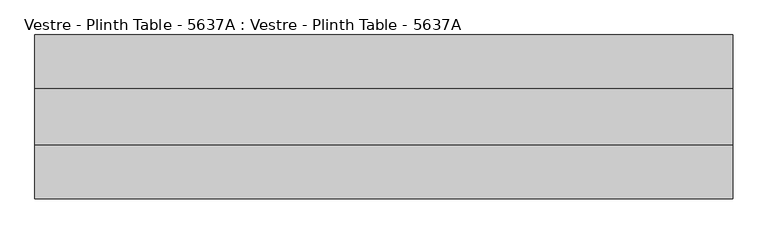
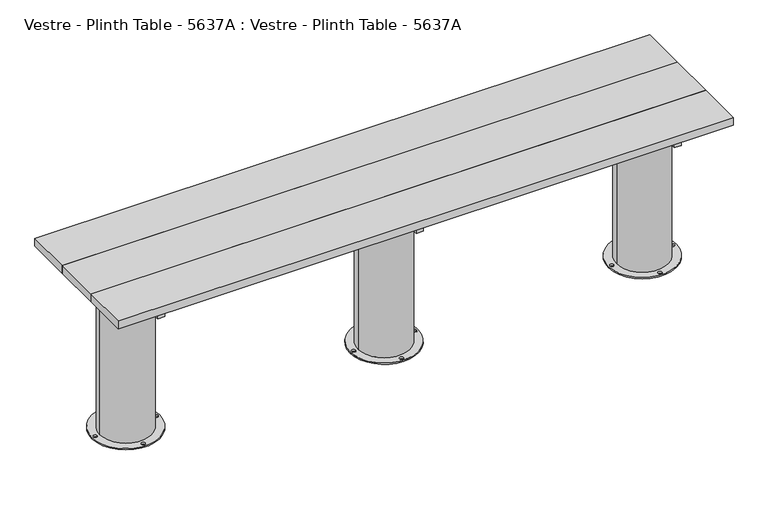
"""IFC4 building model written with IfcOpenShell, lengths in millimetres: furniture geometry, Vestre - Plinth Table - 5637A : Vestre - Plinth Table - 5637A."""

from ifc_helpers import new_model, si_unit, frame, origin, place, context, project, spatial, polyline, circle_curve, outline, extrude, source, transform, mapped, element, save
from ifc_brep_helpers import plane_surface, cylinder_surface, revolved_surface, advanced_brep


def vestre_plinth_table_5637a_vestre_plinth_table_5637a_1bba499d(model_context):
    return source(origin(), model_context, "Body", "SolidModel", [
        extrude(outline(polyline([(1116.0, -483.0002308), (1085.9816865, -483.0002308), (1085.9816865, 43.000233), (1116.0, 43.000233), (1116.0, -483.0002308)])), frame((0.0, 0.0, 654.9999847), z_axis=(0.0, 0.0, 1.0), x_axis=(1.0, 0.0, 0.0)), (0.0, 0.0, 1.0), 50.0),
        extrude(outline(polyline([(-1085.9816865, -483.0002308), (-1116.0, -483.0002308), (-1116.0, 43.000233), (-1085.9816865, 43.000233), (-1085.9816865, -483.0002308)])), frame((0.0, 0.0, 654.9999847), z_axis=(0.0, 0.0, 1.0), x_axis=(1.0, 0.0, 0.0)), (0.0, 0.0, 1.0), 50.0),
        extrude(outline(polyline([(15.0005464, -483.0002308), (-15.0177671, -483.0002308), (-15.0177671, 43.000233), (15.0005464, 43.000233), (15.0005464, -483.0002308)])), frame((0.0, 0.0, 654.9999847), z_axis=(0.0, 0.0, 1.0), x_axis=(1.0, 0.0, 0.0)), (0.0, 0.0, 1.0), 50.0),
        extrude(outline(polyline([(1310.5001055, -114.9999989), (1310.5001055, -324.9999989), (-1310.5001055, -324.9999989), (-1310.5001055, -114.9999989), (1310.5001055, -114.9999989)])), frame((0.0, 0.0, 704.9999847), z_axis=(0.0, 0.0, 1.0), x_axis=(1.0, 0.0, 0.0)), (0.0, 0.0, 1.0), 35.0000153),
        extrude(outline(polyline([(1089.0001055, -202.4998463), (1089.0001055, -237.5001515), (-1089.0001055, -237.5001515), (-1089.0001055, -202.4998463), (1089.0001055, -202.4998463)])), frame((0.0, 0.0, 564.9999847), z_axis=(0.0, 0.0, 1.0), x_axis=(1.0, 0.0, 0.0)), (0.0, 0.0, 1.0), 90.0),
        extrude(outline(polyline([(1310.5001055, 87.500233), (1310.5001055, -114.9999989), (-1310.5001055, -114.9999989), (-1310.5001055, 87.500233), (1310.5001055, 87.500233)])), frame((0.0, 0.0, 704.9999847), z_axis=(0.0, 0.0, 1.0), x_axis=(1.0, 0.0, 0.0)), (0.0, 0.0, 1.0), 35.0000153),
        extrude(outline(polyline([(1310.5001055, -324.9999989), (1310.5001055, -527.5002308), (-1310.5001055, -527.5002308), (-1310.5001055, -324.9999989), (1310.5001055, -324.9999989)])), frame((0.0, 0.0, 704.9999847), z_axis=(0.0, 0.0, 1.0), x_axis=(1.0, 0.0, 0.0)), (0.0, 0.0, 1.0), 35.0000153),
        advanced_brep(
        [(108.1777507, -202.4998463, 654.9999847), (-108.1777507, -202.4998463, 654.9999847), (-108.1777507, -237.5001515, 654.9999847), (108.1777507, -237.5001515, 654.9999847), (144.5284655, -219.9999989, 0.0), (-144.531744, -219.9999989, 0.0), (138.0, -219.9999989, 0.0), (122.0, -219.9999989, 0.0), (8.0, -90.0001458, 0.0), (-8.0, -90.0001458, 0.0), (-138.0032784, -219.9999989, 0.0), (-122.0032784, -219.9999989, 0.0), (8.0, -349.9998521, 0.0), (-8.0, -349.9998521, 0.0), (-109.5841279, -219.9999989, 5.8600001), (109.5841279, -219.9999989, 5.8600001), (109.5841279, -219.9999989, 564.9999847), (108.1777507, -237.5001515, 564.9999847), (-108.1777507, -237.5001515, 564.9999847), (-109.5841279, -219.9999989, 564.9999847), (-108.1777507, -202.4998463, 564.9999847), (108.1777507, -202.4998463, 564.9999847), (144.5284655, -219.9999989, 5.8600001), (-144.531744, -219.9999989, 5.8600001), (138.0, -219.9999989, 5.8600001), (122.0, -219.9999989, 5.8600001), (8.0, -90.0001458, 5.8600001), (-8.0, -90.0001458, 5.8600001), (-138.0032784, -219.9999989, 5.8600001), (-122.0032784, -219.9999989, 5.8600001), (8.0, -349.9998521, 5.8600001), (-8.0, -349.9998521, 5.8600001)],
        [
            (0, 1, circle_curve(frame((0.0, -219.9999989, 654.9999847), z_axis=(0.0, 0.0, 1.0), x_axis=(-1.0, 0.0, 0.0)), 109.5841279)),
            (1, 0),
            (2, 3, circle_curve(frame((0.0, -219.9999989, 654.9999847), z_axis=(0.0, 0.0, 1.0), x_axis=(-1.0, 0.0, 0.0)), 109.5841279)),
            (3, 2),
            (4, 5, circle_curve(frame((-0.0016392, -219.9999989, 0.0), z_axis=(0.0, 0.0, -1.0), x_axis=(-1.0, 0.0, 0.0)), 144.5301047)),
            (5, 4, circle_curve(frame((-0.0016392, -219.9999989, 0.0), z_axis=(0.0, 0.0, -1.0), x_axis=(-1.0, 0.0, 0.0)), 144.5301047)),
            (6, 7, circle_curve(frame((130.0, -219.9999989, 0.0), z_axis=(0.0, 0.0, 1.0), x_axis=(-1.0, 0.0, 0.0)), 8.0)),
            (7, 6, circle_curve(frame((130.0, -219.9999989, 0.0), z_axis=(0.0, 0.0, 1.0), x_axis=(-1.0, 0.0, 0.0)), 8.0)),
            (8, 9, circle_curve(frame((0.0, -90.0001458, 0.0), z_axis=(0.0, 0.0, 1.0), x_axis=(-1.0, 0.0, 0.0)), 8.0)),
            (9, 8, circle_curve(frame((0.0, -90.0001458, 0.0), z_axis=(0.0, 0.0, 1.0), x_axis=(-1.0, 0.0, 0.0)), 8.0)),
            (10, 11, circle_curve(frame((-130.0032784, -219.9999989, 0.0), z_axis=(0.0, 0.0, 1.0), x_axis=(1.0, 0.0, 0.0)), 8.0)),
            (11, 10, circle_curve(frame((-130.0032784, -219.9999989, 0.0), z_axis=(0.0, 0.0, 1.0), x_axis=(1.0, 0.0, 0.0)), 8.0)),
            (12, 13, circle_curve(frame((0.0, -349.9998521, 0.0), z_axis=(0.0, 0.0, 1.0), x_axis=(-1.0, 0.0, 0.0)), 8.0)),
            (13, 12, circle_curve(frame((0.0, -349.9998521, 0.0), z_axis=(0.0, 0.0, 1.0), x_axis=(-1.0, 0.0, 0.0)), 8.0)),
            (14, 15, circle_curve(frame((0.0, -219.9999989, 5.8600001), z_axis=(0.0, 0.0, 1.0), x_axis=(-1.0, 0.0, 0.0)), 109.5841279)),
            (15, 16),
            (16, 17, circle_curve(frame((0.0, -219.9999989, 564.9999847), z_axis=(0.0, 0.0, -1.0), x_axis=(-1.0, 0.0, 0.0)), 109.5841279)),
            (17, 3),
            (2, 18),
            (18, 19, circle_curve(frame((0.0, -219.9999989, 564.9999847), z_axis=(0.0, 0.0, -1.0), x_axis=(-1.0, 0.0, 0.0)), 109.5841279)),
            (19, 14),
            (15, 14, circle_curve(frame((0.0, -219.9999989, 5.8600001), z_axis=(0.0, 0.0, 1.0), x_axis=(-1.0, 0.0, 0.0)), 109.5841279)),
            (19, 20, circle_curve(frame((0.0, -219.9999989, 564.9999847), z_axis=(0.0, 0.0, -1.0), x_axis=(-1.0, 0.0, 0.0)), 109.5841279)),
            (20, 1),
            (0, 21),
            (21, 16, circle_curve(frame((0.0, -219.9999989, 564.9999847), z_axis=(0.0, 0.0, -1.0), x_axis=(-1.0, 0.0, 0.0)), 109.5841279)),
            (22, 23, circle_curve(frame((-0.0016392, -219.9999989, 5.8600001), z_axis=(0.0, 0.0, 1.0), x_axis=(-1.0, 0.0, 0.0)), 144.5301047)),
            (23, 22, circle_curve(frame((-0.0016392, -219.9999989, 5.8600001), z_axis=(0.0, 0.0, 1.0), x_axis=(-1.0, 0.0, 0.0)), 144.5301047)),
            (24, 25, circle_curve(frame((130.0, -219.9999989, 5.8600001), z_axis=(0.0, 0.0, -1.0), x_axis=(-1.0, 0.0, 0.0)), 8.0)),
            (25, 24, circle_curve(frame((130.0, -219.9999989, 5.8600001), z_axis=(0.0, 0.0, -1.0), x_axis=(-1.0, 0.0, 0.0)), 8.0)),
            (26, 27, circle_curve(frame((0.0, -90.0001458, 5.8600001), z_axis=(0.0, 0.0, -1.0), x_axis=(-1.0, 0.0, 0.0)), 8.0)),
            (27, 26, circle_curve(frame((0.0, -90.0001458, 5.8600001), z_axis=(0.0, 0.0, -1.0), x_axis=(-1.0, 0.0, 0.0)), 8.0)),
            (28, 29, circle_curve(frame((-130.0032784, -219.9999989, 5.8600001), z_axis=(0.0, 0.0, -1.0), x_axis=(1.0, 0.0, 0.0)), 8.0)),
            (29, 28, circle_curve(frame((-130.0032784, -219.9999989, 5.8600001), z_axis=(0.0, 0.0, -1.0), x_axis=(1.0, 0.0, 0.0)), 8.0)),
            (30, 31, circle_curve(frame((0.0, -349.9998521, 5.8600001), z_axis=(0.0, 0.0, -1.0), x_axis=(-1.0, 0.0, 0.0)), 8.0)),
            (31, 30, circle_curve(frame((0.0, -349.9998521, 5.8600001), z_axis=(0.0, 0.0, -1.0), x_axis=(-1.0, 0.0, 0.0)), 8.0)),
            (22, 4),
            (5, 23),
            (24, 6),
            (7, 25),
            (26, 8),
            (9, 27),
            (28, 10),
            (11, 29),
            (30, 12),
            (13, 31),
            (21, 20),
            (18, 17),
        ],
        [
            plane_surface(frame((-109.5841279, -219.9999989, 654.9999847), z_axis=(0.0, 0.0, 1.0), x_axis=(0.0, -1.0, 0.0))),
            plane_surface(frame((-109.5841279, -219.9999989, 0.0), z_axis=(0.0, 0.0, -1.0), x_axis=(0.0, 1.0, 0.0))),
            cylinder_surface(frame((0.0, -219.9999989, 0.0), z_axis=(0.0, 0.0, 1.0), x_axis=(-1.0, 0.0, 0.0)), 109.5841279),
            plane_surface(frame((-144.531744, -219.9999989, 5.8600001), z_axis=(0.0, 0.0, 1.0), x_axis=(0.0, -1.0, 0.0))),
            cylinder_surface(frame((-0.0016392, -219.9999989, 0.0), z_axis=(0.0, 0.0, 1.0), x_axis=(-1.0, 0.0, 0.0)), 144.5301047),
            revolved_surface(polyline([(122.0, -219.9999989, 0.0), (122.0, -219.9999989, 5.8600001)]), (130.0, -219.9999989, 0.0), (0.0, 0.0, -1.0)),
            revolved_surface(polyline([(-8.0, -90.0001458, 0.0), (-8.0, -90.0001458, 5.8600001)]), (0.0, -90.0001458, 0.0), (0.0, 0.0, -1.0)),
            revolved_surface(polyline([(-122.0032784, -219.9999989, 0.0), (-122.0032784, -219.9999989, 5.8600001)]), (-130.0032784, -219.9999989, 0.0), (0.0, 0.0, -1.0)),
            revolved_surface(polyline([(-8.0, -349.9998521, 0.0), (-8.0, -349.9998521, 5.8600001)]), (0.0, -349.9998521, 0.0), (0.0, 0.0, -1.0)),
            plane_surface(frame((-130.5005464, -202.4998463, 564.9999847), z_axis=(0.0, 0.0, 1.0), x_axis=(1.0, 0.0, 0.0))),
            plane_surface(frame((-130.5005464, -202.4998463, 654.9999847), z_axis=(0.0, -1.0, 0.0), x_axis=(1.0, 0.0, 0.0))),
            plane_surface(frame((-130.5005464, -237.5001515, 564.9999847), z_axis=(0.0, 1.0, 0.0), x_axis=(1.0, 0.0, 0.0))),
        ],
        [
            (0, [[1, 2]]),
            (0, [[3, 4]]),
            (1, [[5, 6], [7, 8], [9, 10], [11, 12], [13, 14]]),
            (2, [[15, 16, 17, 18, -3, 19, 20, 21]]),
            (2, [[22, -21, 23, 24, -1, 25, 26, -16]]),
            (3, [[27, 28], [-15, -22], [29, 30], [31, 32], [33, 34], [35, 36]]),
            (4, [[-27, 37, -6, 38]]),
            (4, [[-28, -38, -5, -37]]),
            (5, [[-29, 39, -8, 40]]),
            (5, [[-30, -40, -7, -39]]),
            (6, [[-31, 41, -10, 42]]),
            (6, [[-32, -42, -9, -41]]),
            (7, [[-33, 43, -12, 44]]),
            (7, [[-34, -44, -11, -43]]),
            (8, [[-35, 45, -14, 46]]),
            (8, [[-36, -46, -13, -45]]),
            (9, [[47, -23, -20, 48, -17, -26]]),
            (10, [[-47, -25, -2, -24]]),
            (11, [[-48, -19, -4, -18]]),
        ],
    ),
        advanced_brep(
        [(1210.5835815, -219.9999989, 654.9999847), (992.8217029, -202.4998463, 654.9999847), (1089.0010928, -202.4998463, 654.9999847), (1089.0010928, -237.5001515, 654.9999847), (992.8217029, -237.5001515, 654.9999847), (1245.5295583, -219.9999989, 0.0), (956.4693488, -219.9999989, 0.0), (1239.0010928, -219.9999989, 0.0), (1223.0010928, -219.9999989, 0.0), (1109.0010928, -90.0001458, 0.0), (1093.0010928, -90.0001458, 0.0), (962.9978144, -219.9999989, 0.0), (978.9978144, -219.9999989, 0.0), (1109.0010928, -349.9998521, 0.0), (1093.0010928, -349.9998521, 0.0), (1210.5835815, -219.9999989, 5.8600001), (992.8217029, -237.5001515, 564.9999847), (991.4153257, -219.9999989, 564.9999847), (991.4153257, -219.9999989, 5.8600001), (992.8217029, -202.4998463, 564.9999847), (1245.5295583, -219.9999989, 5.8600001), (956.4693488, -219.9999989, 5.8600001), (1239.0010928, -219.9999989, 5.8600001), (1223.0010928, -219.9999989, 5.8600001), (1109.0010928, -90.0001458, 5.8600001), (1093.0010928, -90.0001458, 5.8600001), (962.9978144, -219.9999989, 5.8600001), (978.9978144, -219.9999989, 5.8600001), (1109.0010928, -349.9998521, 5.8600001), (1093.0010928, -349.9998521, 5.8600001), (1089.0010928, -237.5001515, 564.9999847), (1089.0010928, -202.4998463, 564.9999847)],
        [
            (0, 1, circle_curve(frame((1100.9994536, -219.9999989, 654.9999847), z_axis=(0.0, 0.0, 1.0), x_axis=(-1.0, 0.0, 0.0)), 109.5841279)),
            (1, 2),
            (2, 3),
            (3, 4),
            (4, 0, circle_curve(frame((1100.9994536, -219.9999989, 654.9999847), z_axis=(0.0, 0.0, 1.0), x_axis=(-1.0, 0.0, 0.0)), 109.5841279)),
            (5, 6, circle_curve(frame((1100.9994536, -219.9999989, 0.0), z_axis=(0.0, 0.0, -1.0), x_axis=(-1.0, 0.0, 0.0)), 144.5301047)),
            (6, 5, circle_curve(frame((1100.9994536, -219.9999989, 0.0), z_axis=(0.0, 0.0, -1.0), x_axis=(-1.0, 0.0, 0.0)), 144.5301047)),
            (7, 8, circle_curve(frame((1231.0010928, -219.9999989, 0.0), z_axis=(0.0, 0.0, 1.0), x_axis=(-1.0, 0.0, 0.0)), 8.0)),
            (8, 7, circle_curve(frame((1231.0010928, -219.9999989, 0.0), z_axis=(0.0, 0.0, 1.0), x_axis=(-1.0, 0.0, 0.0)), 8.0)),
            (9, 10, circle_curve(frame((1101.0010928, -90.0001458, 0.0), z_axis=(0.0, 0.0, 1.0), x_axis=(-1.0, 0.0, 0.0)), 8.0)),
            (10, 9, circle_curve(frame((1101.0010928, -90.0001458, 0.0), z_axis=(0.0, 0.0, 1.0), x_axis=(-1.0, 0.0, 0.0)), 8.0)),
            (11, 12, circle_curve(frame((970.9978144, -219.9999989, 0.0), z_axis=(0.0, 0.0, 1.0), x_axis=(1.0, 0.0, 0.0)), 8.0)),
            (12, 11, circle_curve(frame((970.9978144, -219.9999989, 0.0), z_axis=(0.0, 0.0, 1.0), x_axis=(1.0, 0.0, 0.0)), 8.0)),
            (13, 14, circle_curve(frame((1101.0010928, -349.9998521, 0.0), z_axis=(0.0, 0.0, 1.0), x_axis=(-1.0, 0.0, 0.0)), 8.0)),
            (14, 13, circle_curve(frame((1101.0010928, -349.9998521, 0.0), z_axis=(0.0, 0.0, 1.0), x_axis=(-1.0, 0.0, 0.0)), 8.0)),
            (15, 0),
            (4, 16),
            (16, 17, circle_curve(frame((1100.9994536, -219.9999989, 564.9999847), z_axis=(0.0, 0.0, -1.0), x_axis=(-1.0, 0.0, 0.0)), 109.5841279)),
            (17, 18),
            (18, 15, circle_curve(frame((1100.9994536, -219.9999989, 5.8600001), z_axis=(0.0, 0.0, 1.0), x_axis=(-1.0, 0.0, 0.0)), 109.5841279)),
            (15, 18, circle_curve(frame((1100.9994536, -219.9999989, 5.8600001), z_axis=(0.0, 0.0, 1.0), x_axis=(-1.0, 0.0, 0.0)), 109.5841279)),
            (17, 19, circle_curve(frame((1100.9994536, -219.9999989, 564.9999847), z_axis=(0.0, 0.0, -1.0), x_axis=(-1.0, 0.0, 0.0)), 109.5841279)),
            (19, 1),
            (20, 21, circle_curve(frame((1100.9994536, -219.9999989, 5.8600001), z_axis=(0.0, 0.0, 1.0), x_axis=(-1.0, 0.0, 0.0)), 144.5301047)),
            (21, 20, circle_curve(frame((1100.9994536, -219.9999989, 5.8600001), z_axis=(0.0, 0.0, 1.0), x_axis=(-1.0, 0.0, 0.0)), 144.5301047)),
            (22, 23, circle_curve(frame((1231.0010928, -219.9999989, 5.8600001), z_axis=(0.0, 0.0, -1.0), x_axis=(-1.0, 0.0, 0.0)), 8.0)),
            (23, 22, circle_curve(frame((1231.0010928, -219.9999989, 5.8600001), z_axis=(0.0, 0.0, -1.0), x_axis=(-1.0, 0.0, 0.0)), 8.0)),
            (24, 25, circle_curve(frame((1101.0010928, -90.0001458, 5.8600001), z_axis=(0.0, 0.0, -1.0), x_axis=(-1.0, 0.0, 0.0)), 8.0)),
            (25, 24, circle_curve(frame((1101.0010928, -90.0001458, 5.8600001), z_axis=(0.0, 0.0, -1.0), x_axis=(-1.0, 0.0, 0.0)), 8.0)),
            (26, 27, circle_curve(frame((970.9978144, -219.9999989, 5.8600001), z_axis=(0.0, 0.0, -1.0), x_axis=(1.0, 0.0, 0.0)), 8.0)),
            (27, 26, circle_curve(frame((970.9978144, -219.9999989, 5.8600001), z_axis=(0.0, 0.0, -1.0), x_axis=(1.0, 0.0, 0.0)), 8.0)),
            (28, 29, circle_curve(frame((1101.0010928, -349.9998521, 5.8600001), z_axis=(0.0, 0.0, -1.0), x_axis=(-1.0, 0.0, 0.0)), 8.0)),
            (29, 28, circle_curve(frame((1101.0010928, -349.9998521, 5.8600001), z_axis=(0.0, 0.0, -1.0), x_axis=(-1.0, 0.0, 0.0)), 8.0)),
            (21, 6),
            (5, 20),
            (23, 8),
            (7, 22),
            (25, 10),
            (9, 24),
            (27, 12),
            (11, 26),
            (29, 14),
            (13, 28),
            (30, 3),
            (2, 31),
            (31, 30),
            (31, 19),
            (16, 30),
        ],
        [
            plane_surface(frame((991.4153257, -219.9999989, 654.9999847), z_axis=(0.0, 0.0, 1.0), x_axis=(0.0, -1.0, 0.0))),
            plane_surface(frame((991.4153257, -219.9999989, 0.0), z_axis=(0.0, 0.0, -1.0), x_axis=(0.0, 1.0, 0.0))),
            cylinder_surface(frame((1100.9994536, -219.9999989, 0.0), z_axis=(0.0, 0.0, 1.0), x_axis=(-1.0, 0.0, 0.0)), 109.5841279),
            plane_surface(frame((956.4693488, -219.9999989, 5.8600001), z_axis=(0.0, 0.0, 1.0), x_axis=(0.0, -1.0, 0.0))),
            cylinder_surface(frame((1100.9994536, -219.9999989, 0.0), z_axis=(0.0, 0.0, 1.0), x_axis=(-1.0, 0.0, 0.0)), 144.5301047),
            revolved_surface(polyline([(1223.0010928, -219.9999989, 0.0), (1223.0010928, -219.9999989, 5.8600001)]), (1231.0010928, -219.9999989, 0.0), (0.0, 0.0, -1.0)),
            revolved_surface(polyline([(1093.0010928, -90.0001458, 0.0), (1093.0010928, -90.0001458, 5.8600001)]), (1101.0010928, -90.0001458, 0.0), (0.0, 0.0, -1.0)),
            revolved_surface(polyline([(978.9978144, -219.9999989, 0.0), (978.9978144, -219.9999989, 5.8600001)]), (970.9978144, -219.9999989, 0.0), (0.0, 0.0, -1.0)),
            revolved_surface(polyline([(1093.0010928, -349.9998521, 0.0), (1093.0010928, -349.9998521, 5.8600001)]), (1101.0010928, -349.9998521, 0.0), (0.0, 0.0, -1.0)),
            plane_surface(frame((1089.0010928, -237.5001515, 564.9999847), z_axis=(-1.0, 0.0, 0.0), x_axis=(0.0, 0.0, -1.0))),
            plane_surface(frame((970.5005464, -202.4998463, 564.9999847), z_axis=(0.0, 0.0, 1.0), x_axis=(1.0, 0.0, 0.0))),
            plane_surface(frame((970.5005464, -202.4998463, 654.9999847), z_axis=(0.0, -1.0, 0.0), x_axis=(1.0, 0.0, 0.0))),
            plane_surface(frame((970.5005464, -237.5001515, 564.9999847), z_axis=(0.0, 1.0, 0.0), x_axis=(1.0, 0.0, 0.0))),
        ],
        [
            (0, [[1, 2, 3, 4, 5]]),
            (1, [[6, 7], [8, 9], [10, 11], [12, 13], [14, 15]]),
            (2, [[16, -5, 17, 18, 19, 20]]),
            (2, [[-16, 21, -19, 22, 23, -1]]),
            (3, [[24, 25], [-20, -21], [26, 27], [28, 29], [30, 31], [32, 33]]),
            (4, [[-25, 34, -6, 35]]),
            (4, [[-24, -35, -7, -34]]),
            (5, [[-27, 36, -8, 37]]),
            (5, [[-26, -37, -9, -36]]),
            (6, [[-29, 38, -10, 39]]),
            (6, [[-28, -39, -11, -38]]),
            (7, [[-31, 40, -12, 41]]),
            (7, [[-30, -41, -13, -40]]),
            (8, [[-33, 42, -14, 43]]),
            (8, [[-32, -43, -15, -42]]),
            (9, [[44, -3, 45, 46]]),
            (10, [[-46, 47, -22, -18, 48]]),
            (11, [[-45, -2, -23, -47]]),
            (12, [[-44, -48, -17, -4]]),
        ],
    ),
        advanced_brep(
        [(-1210.5835815, -219.9999989, 654.9999847), (-992.8217029, -237.5001515, 654.9999847), (-1089.0010928, -237.5001515, 654.9999847), (-1089.0010928, -202.4998463, 654.9999847), (-992.8217029, -202.4998463, 654.9999847), (-1245.5295583, -219.9999989, 0.0), (-956.4693488, -219.9999989, 0.0), (-1239.0010928, -219.9999989, 0.0), (-1223.0010928, -219.9999989, 0.0), (-1109.0010928, -90.0001458, 0.0), (-1093.0010928, -90.0001458, 0.0), (-962.9978144, -219.9999989, 0.0), (-978.9978144, -219.9999989, 0.0), (-1109.0010928, -349.9998521, 0.0), (-1093.0010928, -349.9998521, 0.0), (-1210.5835815, -219.9999989, 5.8600001), (-991.4153257, -219.9999989, 5.8600001), (-991.4153257, -219.9999989, 564.9999847), (-992.8217029, -237.5001515, 564.9999847), (-992.8217029, -202.4998463, 564.9999847), (-1245.5295583, -219.9999989, 5.8600001), (-956.4693488, -219.9999989, 5.8600001), (-1239.0010928, -219.9999989, 5.8600001), (-1223.0010928, -219.9999989, 5.8600001), (-1109.0010928, -90.0001458, 5.8600001), (-1093.0010928, -90.0001458, 5.8600001), (-962.9978144, -219.9999989, 5.8600001), (-978.9978144, -219.9999989, 5.8600001), (-1109.0010928, -349.9998521, 5.8600001), (-1093.0010928, -349.9998521, 5.8600001), (-1089.0010928, -237.5001515, 564.9999847), (-1089.0010928, -202.4998463, 564.9999847)],
        [
            (0, 1, circle_curve(frame((-1100.9994536, -219.9999989, 654.9999847), z_axis=(0.0, 0.0, 1.0), x_axis=(1.0, 0.0, 0.0)), 109.5841279)),
            (1, 2),
            (2, 3),
            (3, 4),
            (4, 0, circle_curve(frame((-1100.9994536, -219.9999989, 654.9999847), z_axis=(0.0, 0.0, 1.0), x_axis=(1.0, 0.0, 0.0)), 109.5841279)),
            (5, 6, circle_curve(frame((-1100.9994536, -219.9999989, 0.0), z_axis=(0.0, 0.0, -1.0), x_axis=(1.0, 0.0, 0.0)), 144.5301047)),
            (6, 5, circle_curve(frame((-1100.9994536, -219.9999989, 0.0), z_axis=(0.0, 0.0, -1.0), x_axis=(1.0, 0.0, 0.0)), 144.5301047)),
            (7, 8, circle_curve(frame((-1231.0010928, -219.9999989, 0.0), z_axis=(0.0, 0.0, 1.0), x_axis=(1.0, 0.0, 0.0)), 8.0)),
            (8, 7, circle_curve(frame((-1231.0010928, -219.9999989, 0.0), z_axis=(0.0, 0.0, 1.0), x_axis=(1.0, 0.0, 0.0)), 8.0)),
            (9, 10, circle_curve(frame((-1101.0010928, -90.0001458, 0.0), z_axis=(0.0, 0.0, 1.0), x_axis=(1.0, 0.0, 0.0)), 8.0)),
            (10, 9, circle_curve(frame((-1101.0010928, -90.0001458, 0.0), z_axis=(0.0, 0.0, 1.0), x_axis=(1.0, 0.0, 0.0)), 8.0)),
            (11, 12, circle_curve(frame((-970.9978144, -219.9999989, 0.0), z_axis=(0.0, 0.0, 1.0), x_axis=(-1.0, 0.0, 0.0)), 8.0)),
            (12, 11, circle_curve(frame((-970.9978144, -219.9999989, 0.0), z_axis=(0.0, 0.0, 1.0), x_axis=(-1.0, 0.0, 0.0)), 8.0)),
            (13, 14, circle_curve(frame((-1101.0010928, -349.9998521, 0.0), z_axis=(0.0, 0.0, 1.0), x_axis=(1.0, 0.0, 0.0)), 8.0)),
            (14, 13, circle_curve(frame((-1101.0010928, -349.9998521, 0.0), z_axis=(0.0, 0.0, 1.0), x_axis=(1.0, 0.0, 0.0)), 8.0)),
            (0, 15),
            (15, 16, circle_curve(frame((-1100.9994536, -219.9999989, 5.8600001), z_axis=(0.0, 0.0, 1.0), x_axis=(1.0, 0.0, 0.0)), 109.5841279)),
            (16, 17),
            (17, 18, circle_curve(frame((-1100.9994536, -219.9999989, 564.9999847), z_axis=(0.0, 0.0, -1.0), x_axis=(1.0, 0.0, 0.0)), 109.5841279)),
            (18, 1),
            (4, 19),
            (19, 17, circle_curve(frame((-1100.9994536, -219.9999989, 564.9999847), z_axis=(0.0, 0.0, -1.0), x_axis=(1.0, 0.0, 0.0)), 109.5841279)),
            (16, 15, circle_curve(frame((-1100.9994536, -219.9999989, 5.8600001), z_axis=(0.0, 0.0, 1.0), x_axis=(1.0, 0.0, 0.0)), 109.5841279)),
            (20, 21, circle_curve(frame((-1100.9994536, -219.9999989, 5.8600001), z_axis=(0.0, 0.0, 1.0), x_axis=(1.0, 0.0, 0.0)), 144.5301047)),
            (21, 20, circle_curve(frame((-1100.9994536, -219.9999989, 5.8600001), z_axis=(0.0, 0.0, 1.0), x_axis=(1.0, 0.0, 0.0)), 144.5301047)),
            (22, 23, circle_curve(frame((-1231.0010928, -219.9999989, 5.8600001), z_axis=(0.0, 0.0, -1.0), x_axis=(1.0, 0.0, 0.0)), 8.0)),
            (23, 22, circle_curve(frame((-1231.0010928, -219.9999989, 5.8600001), z_axis=(0.0, 0.0, -1.0), x_axis=(1.0, 0.0, 0.0)), 8.0)),
            (24, 25, circle_curve(frame((-1101.0010928, -90.0001458, 5.8600001), z_axis=(0.0, 0.0, -1.0), x_axis=(1.0, 0.0, 0.0)), 8.0)),
            (25, 24, circle_curve(frame((-1101.0010928, -90.0001458, 5.8600001), z_axis=(0.0, 0.0, -1.0), x_axis=(1.0, 0.0, 0.0)), 8.0)),
            (26, 27, circle_curve(frame((-970.9978144, -219.9999989, 5.8600001), z_axis=(0.0, 0.0, -1.0), x_axis=(-1.0, 0.0, 0.0)), 8.0)),
            (27, 26, circle_curve(frame((-970.9978144, -219.9999989, 5.8600001), z_axis=(0.0, 0.0, -1.0), x_axis=(-1.0, 0.0, 0.0)), 8.0)),
            (28, 29, circle_curve(frame((-1101.0010928, -349.9998521, 5.8600001), z_axis=(0.0, 0.0, -1.0), x_axis=(1.0, 0.0, 0.0)), 8.0)),
            (29, 28, circle_curve(frame((-1101.0010928, -349.9998521, 5.8600001), z_axis=(0.0, 0.0, -1.0), x_axis=(1.0, 0.0, 0.0)), 8.0)),
            (20, 5),
            (6, 21),
            (22, 7),
            (8, 23),
            (24, 9),
            (10, 25),
            (26, 11),
            (12, 27),
            (28, 13),
            (14, 29),
            (30, 31),
            (31, 3),
            (2, 30),
            (30, 18),
            (19, 31),
        ],
        [
            plane_surface(frame((-991.4153257, -219.9999989, 654.9999847), z_axis=(0.0, 0.0, 1.0), x_axis=(0.0, 1.0, 0.0))),
            plane_surface(frame((-991.4153257, -219.9999989, 0.0), z_axis=(0.0, 0.0, -1.0), x_axis=(0.0, -1.0, 0.0))),
            cylinder_surface(frame((-1100.9994536, -219.9999989, 0.0), z_axis=(0.0, 0.0, 1.0), x_axis=(1.0, 0.0, 0.0)), 109.5841279),
            plane_surface(frame((-956.4693488, -219.9999989, 5.8600001), z_axis=(0.0, 0.0, 1.0), x_axis=(0.0, 1.0, 0.0))),
            cylinder_surface(frame((-1100.9994536, -219.9999989, 0.0), z_axis=(0.0, 0.0, 1.0), x_axis=(1.0, 0.0, 0.0)), 144.5301047),
            revolved_surface(polyline([(-1223.0010928, -219.9999989, 0.0), (-1223.0010928, -219.9999989, 5.8600001)]), (-1231.0010928, -219.9999989, 0.0), (0.0, 0.0, -1.0)),
            revolved_surface(polyline([(-1093.0010928, -90.0001458, 0.0), (-1093.0010928, -90.0001458, 5.8600001)]), (-1101.0010928, -90.0001458, 0.0), (0.0, 0.0, -1.0)),
            revolved_surface(polyline([(-978.9978144, -219.9999989, 0.0), (-978.9978144, -219.9999989, 5.8600001)]), (-970.9978144, -219.9999989, 0.0), (0.0, 0.0, -1.0)),
            revolved_surface(polyline([(-1093.0010928, -349.9998521, 0.0), (-1093.0010928, -349.9998521, 5.8600001)]), (-1101.0010928, -349.9998521, 0.0), (0.0, 0.0, -1.0)),
            plane_surface(frame((-1089.0010928, -202.4998463, 564.9999847), z_axis=(1.0, 0.0, 0.0), x_axis=(0.0, -1.0, 0.0))),
            plane_surface(frame((-970.5005464, -237.5001515, 564.9999847), z_axis=(0.0, 0.0, 1.0), x_axis=(-1.0, 0.0, 0.0))),
            plane_surface(frame((-970.5005464, -202.4998463, 564.9999847), z_axis=(0.0, -1.0, 0.0), x_axis=(-1.0, 0.0, 0.0))),
            plane_surface(frame((-970.5005464, -237.5001515, 654.9999847), z_axis=(0.0, 1.0, 0.0), x_axis=(-1.0, 0.0, 0.0))),
        ],
        [
            (0, [[1, 2, 3, 4, 5]]),
            (1, [[6, 7], [8, 9], [10, 11], [12, 13], [14, 15]]),
            (2, [[16, 17, 18, 19, 20, -1]]),
            (2, [[-16, -5, 21, 22, -18, 23]]),
            (3, [[24, 25], [-17, -23], [26, 27], [28, 29], [30, 31], [32, 33]]),
            (4, [[-24, 34, -7, 35]]),
            (4, [[-25, -35, -6, -34]]),
            (5, [[-26, 36, -9, 37]]),
            (5, [[-27, -37, -8, -36]]),
            (6, [[-28, 38, -11, 39]]),
            (6, [[-29, -39, -10, -38]]),
            (7, [[-30, 40, -13, 41]]),
            (7, [[-31, -41, -12, -40]]),
            (8, [[-32, 42, -15, 43]]),
            (8, [[-33, -43, -14, -42]]),
            (9, [[44, 45, -3, 46]]),
            (10, [[-44, 47, -19, -22, 48]]),
            (11, [[-45, -48, -21, -4]]),
            (12, [[-46, -2, -20, -47]]),
        ],
    ),
    ])


if __name__ == "__main__":
    model = new_model("IFC4")
    model_context = context("Model", 3, world=origin())
    ifc_project = project(units=[si_unit("LENGTHUNIT", "METRE", prefix="MILLI")], contexts=[model_context])
    site = spatial("IfcSite", under=ifc_project)
    building = spatial("IfcBuilding", under=site)
    placement = place(None, origin())
    vestre_plinth_table_5637a_vestre_plinth_table_5637a_shape = vestre_plinth_table_5637a_vestre_plinth_table_5637a_1bba499d(model_context)
    element("IfcFurniture", 1, ObjectType="Vestre - Plinth Table - 5637A : Vestre - Plinth Table - 5637A", at=placement, inside=building, context=model_context, shape_type="MappedRepresentation", body=[
        mapped(vestre_plinth_table_5637a_vestre_plinth_table_5637a_shape, transform((0.0, 0.0, 0.0), x_axis=(1.0, 0.0, 0.0), y_axis=(0.0, 1.0, 0.0), z_axis=(0.0, 0.0, 1.0))),
    ])
    save(model, "model.ifc")
